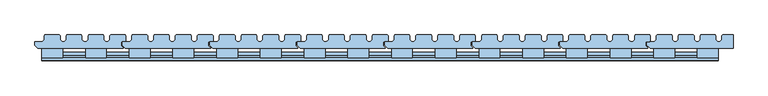
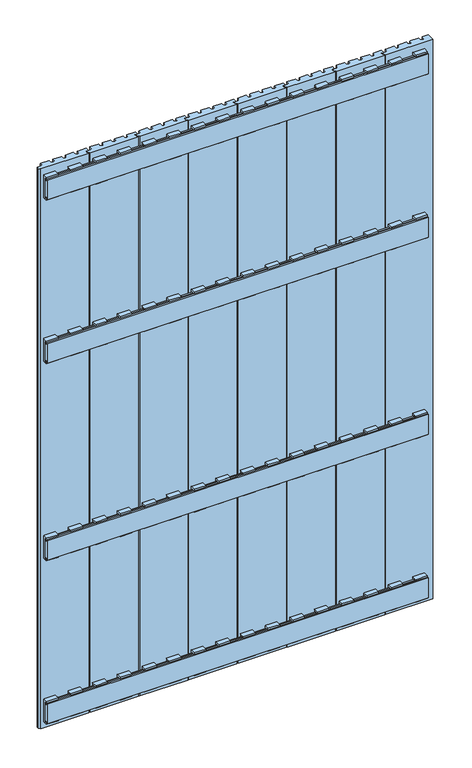
"""IFC4 building model written with IfcOpenShell, lengths in millimetres: window geometry."""

from ifc_helpers import new_model, si_unit, frame, origin, place, context, project, spatial, polyline, outline, extrude, source, transform, mapped, element, save


def window_894a8faf(model_context):
    return source(origin(), model_context, "Body", "SweptSolid", [
        extrude(outline(polyline([(275.0, 43.0), (275.0, 49.0), (276.0, 50.0), (297.5, 50.0), (298.5, 49.0), (298.5, 43.0), (301.5, 40.0), (304.5, 40.0), (307.5, 43.0), (307.5, 49.0), (308.5, 50.0), (330.0, 50.0), (331.0, 49.0), (331.0, 43.0), (334.0, 40.0), (337.0, 40.0), (340.0, 43.0), (340.0, 49.0), (341.0, 50.0), (362.5, 50.0), (363.5, 49.0), (363.5, 43.0), (366.5, 40.0), (369.5, 40.0), (372.5, 43.0), (372.5, 49.0), (373.5, 50.0), (395.0, 50.0), (396.0, 49.0), (396.0, 41.0), (395.0, 40.0), (389.0, 40.0), (389.0, 34.0), (392.1, 30.9), (392.1, 30.0), (265.5, 30.0), (261.0, 34.5), (261.0, 40.0), (272.0, 40.0), (275.0, 43.0)])), frame((0.0, 0.0, 100.0), z_axis=(0.0, 0.0, 1.0), x_axis=(1.0, 0.0, 0.0)), (0.0, 0.0, 1.0), 1561.0),
        extrude(outline(polyline([(145.0, 43.0), (145.0, 49.0), (146.0, 50.0), (167.5, 50.0), (168.5, 49.0), (168.5, 43.0), (171.5, 40.0), (174.5, 40.0), (177.5, 43.0), (177.5, 49.0), (178.5, 50.0), (200.0, 50.0), (201.0, 49.0), (201.0, 43.0), (204.0, 40.0), (207.0, 40.0), (210.0, 43.0), (210.0, 49.0), (211.0, 50.0), (232.5, 50.0), (233.5, 49.0), (233.5, 43.0), (236.5, 40.0), (239.5, 40.0), (242.5, 43.0), (242.5, 49.0), (243.5, 50.0), (265.0, 50.0), (266.0, 49.0), (266.0, 41.0), (265.0, 40.0), (259.0, 40.0), (259.0, 34.0), (262.1, 30.9), (262.1, 30.0), (135.5, 30.0), (131.0, 34.5), (131.0, 40.0), (142.0, 40.0), (145.0, 43.0)])), frame((0.0, 0.0, 100.0), z_axis=(0.0, 0.0, 1.0), x_axis=(1.0, 0.0, 0.0)), (0.0, 0.0, 1.0), 1561.0),
        extrude(outline(polyline([(15.0, 43.0), (15.0, 49.0), (16.0, 50.0), (37.5, 50.0), (38.5, 49.0), (38.5, 43.0), (41.5, 40.0), (44.5, 40.0), (47.5, 43.0), (47.5, 49.0), (48.5, 50.0), (70.0, 50.0), (71.0, 49.0), (71.0, 43.0), (74.0, 40.0), (77.0, 40.0), (80.0, 43.0), (80.0, 49.0), (81.0, 50.0), (102.5, 50.0), (103.5, 49.0), (103.5, 43.0), (106.5, 40.0), (109.5, 40.0), (112.5, 43.0), (112.5, 49.0), (113.5, 50.0), (135.0, 50.0), (136.0, 49.0), (136.0, 41.0), (135.0, 40.0), (129.0, 40.0), (129.0, 34.0), (132.1, 30.9), (132.1, 30.0), (5.5, 30.0), (1.0, 34.5), (1.0, 40.0), (12.0, 40.0), (15.0, 43.0)])), frame((0.0, 0.0, 100.0), z_axis=(0.0, 0.0, 1.0), x_axis=(1.0, 0.0, 0.0)), (0.0, 0.0, 1.0), 1561.0),
        extrude(outline(polyline([(-115.0, 43.0), (-115.0, 49.0), (-114.0, 50.0), (-92.5, 50.0), (-91.5, 49.0), (-91.5, 43.0), (-88.5, 40.0), (-85.5, 40.0), (-82.5, 43.0), (-82.5, 49.0), (-81.5, 50.0), (-60.0, 50.0), (-59.0, 49.0), (-59.0, 43.0), (-56.0, 40.0), (-53.0, 40.0), (-50.0, 43.0), (-50.0, 49.0), (-49.0, 50.0), (-27.5, 50.0), (-26.5, 49.0), (-26.5, 43.0), (-23.5, 40.0), (-20.5, 40.0), (-17.5, 43.0), (-17.5, 49.0), (-16.5, 50.0), (5.0, 50.0), (6.0, 49.0), (6.0, 41.0), (5.0, 40.0), (-1.0, 40.0), (-1.0, 34.0), (2.1, 30.9), (2.1, 30.0), (-124.5, 30.0), (-129.0, 34.5), (-129.0, 40.0), (-118.0, 40.0), (-115.0, 43.0)])), frame((0.0, 0.0, 100.0), z_axis=(0.0, 0.0, 1.0), x_axis=(1.0, 0.0, 0.0)), (0.0, 0.0, 1.0), 1561.0),
        extrude(outline(polyline([(-245.0, 43.0), (-245.0, 49.0), (-244.0, 50.0), (-222.5, 50.0), (-221.5, 49.0), (-221.5, 43.0), (-218.5, 40.0), (-215.5, 40.0), (-212.5, 43.0), (-212.5, 49.0), (-211.5, 50.0), (-190.0, 50.0), (-189.0, 49.0), (-189.0, 43.0), (-186.0, 40.0), (-183.0, 40.0), (-180.0, 43.0), (-180.0, 49.0), (-179.0, 50.0), (-157.5, 50.0), (-156.5, 49.0), (-156.5, 43.0), (-153.5, 40.0), (-150.5, 40.0), (-147.5, 43.0), (-147.5, 49.0), (-146.5, 50.0), (-125.0, 50.0), (-124.0, 49.0), (-124.0, 41.0), (-125.0, 40.0), (-131.0, 40.0), (-131.0, 34.0), (-127.9, 30.9), (-127.9, 30.0), (-254.5, 30.0), (-259.0, 34.5), (-259.0, 40.0), (-248.0, 40.0), (-245.0, 43.0)])), frame((0.0, 0.0, 100.0), z_axis=(0.0, 0.0, 1.0), x_axis=(1.0, 0.0, 0.0)), (0.0, 0.0, 1.0), 1561.0),
        extrude(outline(polyline([(-375.0, 43.0), (-375.0, 49.0), (-374.0, 50.0), (-352.5, 50.0), (-351.5, 49.0), (-351.5, 43.0), (-348.5, 40.0), (-345.5, 40.0), (-342.5, 43.0), (-342.5, 49.0), (-341.5, 50.0), (-320.0, 50.0), (-319.0, 49.0), (-319.0, 43.0), (-316.0, 40.0), (-313.0, 40.0), (-310.0, 43.0), (-310.0, 49.0), (-309.0, 50.0), (-287.5, 50.0), (-286.5, 49.0), (-286.5, 43.0), (-283.5, 40.0), (-280.5, 40.0), (-277.5, 43.0), (-277.5, 49.0), (-276.5, 50.0), (-255.0, 50.0), (-254.0, 49.0), (-254.0, 41.0), (-255.0, 40.0), (-261.0, 40.0), (-261.0, 34.0), (-257.9, 30.9), (-257.9, 30.0), (-384.5, 30.0), (-389.0, 34.5), (-389.0, 40.0), (-378.0, 40.0), (-375.0, 43.0)])), frame((0.0, 0.0, 100.0), z_axis=(0.0, 0.0, 1.0), x_axis=(1.0, 0.0, 0.0)), (0.0, 0.0, 1.0), 1561.0),
        extrude(outline(polyline([(405.0, 43.0), (405.0, 49.0), (406.0, 50.0), (427.5, 50.0), (428.5, 49.0), (428.5, 43.0), (431.5, 40.0), (434.5, 40.0), (437.5, 43.0), (437.5, 49.0), (438.5, 50.0), (460.0, 50.0), (461.0, 49.0), (461.0, 43.0), (464.0, 40.0), (467.0, 40.0), (470.0, 43.0), (470.0, 49.0), (471.0, 50.0), (492.5, 50.0), (493.5, 49.0), (493.5, 43.0), (496.5, 40.0), (499.5, 40.0), (502.5, 43.0), (502.5, 49.0), (503.5, 50.0), (519.0, 50.0), (519.0, 30.0), (395.5, 30.0), (391.0, 34.5), (391.0, 40.0), (402.0, 40.0), (405.0, 43.0)])), frame((0.0, 0.0, 100.0), z_axis=(0.0, 0.0, 1.0), x_axis=(1.0, 0.0, 0.0)), (0.0, 0.0, 1.0), 1561.0),
        extrude(outline(polyline([(-505.0, 43.0), (-505.0, 49.0), (-504.0, 50.0), (-482.5, 50.0), (-481.5, 49.0), (-481.5, 43.0), (-478.5, 40.0), (-475.5, 40.0), (-472.5, 43.0), (-472.5, 49.0), (-471.5, 50.0), (-450.0, 50.0), (-449.0, 49.0), (-449.0, 43.0), (-446.0, 40.0), (-443.0, 40.0), (-440.0, 43.0), (-440.0, 49.0), (-439.0, 50.0), (-417.5, 50.0), (-416.5, 49.0), (-416.5, 43.0), (-413.5, 40.0), (-410.5, 40.0), (-407.5, 43.0), (-407.5, 49.0), (-406.5, 50.0), (-385.0, 50.0), (-384.0, 49.0), (-384.0, 41.0), (-385.0, 40.0), (-391.0, 40.0), (-391.0, 34.0), (-387.9, 30.9), (-387.9, 30.0), (-514.5, 30.0), (-519.0, 34.5), (-519.0, 40.0), (-508.0, 40.0), (-505.0, 43.0)])), frame((0.0, 0.0, 100.0), z_axis=(0.0, 0.0, 1.0), x_axis=(1.0, 0.0, 0.0)), (0.0, 0.0, 1.0), 1561.0),
        extrude(outline(polyline([(24.0, 1183.0936804), (19.8, 1183.0936804), (19.8, 1179.0936804), (16.0, 1179.0936804), (16.0, 1187.0), (29.9, 1187.0), (29.9, 1124.0), (16.0, 1124.0), (16.0, 1131.9063196), (19.8, 1131.9063196), (19.8, 1127.9063196), (24.0, 1127.9063196), (24.0, 1183.0936804)])), frame((271.3, 0.0, 0.0), z_axis=(1.0, 0.0, 0.0), x_axis=(0.0, 1.0, 0.0)), (0.0, 0.0, 1.0), 31.0),
        extrude(outline(polyline([(24.0, 633.0936804), (19.8, 633.0936804), (19.8, 629.0936804), (16.0, 629.0936804), (16.0, 637.0), (29.9, 637.0), (29.9, 574.0), (16.0, 574.0), (16.0, 581.9063196), (19.8, 581.9063196), (19.8, 577.9063196), (24.0, 577.9063196), (24.0, 633.0936804)])), frame((271.3, 0.0, 0.0), z_axis=(1.0, 0.0, 0.0), x_axis=(0.0, 1.0, 0.0)), (0.0, 0.0, 1.0), 31.0),
        extrude(outline(polyline([(24.0, 1583.9063196), (24.0, 1639.0936804), (19.8, 1639.0936804), (19.8, 1635.0936804), (16.0, 1635.0936804), (16.0, 1643.0), (29.9, 1643.0), (29.9, 1580.0), (16.0, 1580.0), (16.0, 1587.9063196), (19.8, 1587.9063196), (19.8, 1583.9063196), (24.0, 1583.9063196)])), frame((271.3, 0.0, 0.0), z_axis=(1.0, 0.0, 0.0), x_axis=(0.0, 1.0, 0.0)), (0.0, 0.0, 1.0), 31.0),
        extrude(outline(polyline([(24.0, 177.0936804), (19.8, 177.0936804), (19.8, 173.0936804), (16.0, 173.0936804), (16.0, 181.0), (29.9, 181.0), (29.9, 118.0), (16.0, 118.0), (16.0, 125.9063196), (19.8, 125.9063196), (19.8, 121.9063196), (24.0, 121.9063196), (24.0, 177.0936804)])), frame((271.3, 0.0, 0.0), z_axis=(1.0, 0.0, 0.0), x_axis=(0.0, 1.0, 0.0)), (0.0, 0.0, 1.0), 31.0),
        extrude(outline(polyline([(24.0, 1183.0936804), (19.8, 1183.0936804), (19.8, 1179.0936804), (16.0, 1179.0936804), (16.0, 1187.0), (29.9, 1187.0), (29.9, 1124.0), (16.0, 1124.0), (16.0, 1131.9063196), (19.8, 1131.9063196), (19.8, 1127.9063196), (24.0, 1127.9063196), (24.0, 1183.0936804)])), frame((336.25, 0.0, 0.0), z_axis=(1.0, 0.0, 0.0), x_axis=(0.0, 1.0, 0.0)), (0.0, 0.0, 1.0), 31.0),
        extrude(outline(polyline([(24.0, 633.0936804), (19.8, 633.0936804), (19.8, 629.0936804), (16.0, 629.0936804), (16.0, 637.0), (29.9, 637.0), (29.9, 574.0), (16.0, 574.0), (16.0, 581.9063196), (19.8, 581.9063196), (19.8, 577.9063196), (24.0, 577.9063196), (24.0, 633.0936804)])), frame((336.25, 0.0, 0.0), z_axis=(1.0, 0.0, 0.0), x_axis=(0.0, 1.0, 0.0)), (0.0, 0.0, 1.0), 31.0),
        extrude(outline(polyline([(24.0, 1583.9063196), (24.0, 1639.0936804), (19.8, 1639.0936804), (19.8, 1635.0936804), (16.0, 1635.0936804), (16.0, 1643.0), (29.9, 1643.0), (29.9, 1580.0), (16.0, 1580.0), (16.0, 1587.9063196), (19.8, 1587.9063196), (19.8, 1583.9063196), (24.0, 1583.9063196)])), frame((336.25, 0.0, 0.0), z_axis=(1.0, 0.0, 0.0), x_axis=(0.0, 1.0, 0.0)), (0.0, 0.0, 1.0), 31.0),
        extrude(outline(polyline([(24.0, 177.0936804), (19.8, 177.0936804), (19.8, 173.0936804), (16.0, 173.0936804), (16.0, 181.0), (29.9, 181.0), (29.9, 118.0), (16.0, 118.0), (16.0, 125.9063196), (19.8, 125.9063196), (19.8, 121.9063196), (24.0, 121.9063196), (24.0, 177.0936804)])), frame((336.25, 0.0, 0.0), z_axis=(1.0, 0.0, 0.0), x_axis=(0.0, 1.0, 0.0)), (0.0, 0.0, 1.0), 31.0),
        extrude(outline(polyline([(24.0, 1183.0936804), (19.8, 1183.0936804), (19.8, 1179.0936804), (16.0, 1179.0936804), (16.0, 1187.0), (29.9, 1187.0), (29.9, 1124.0), (16.0, 1124.0), (16.0, 1131.9063196), (19.8, 1131.9063196), (19.8, 1127.9063196), (24.0, 1127.9063196), (24.0, 1183.0936804)])), frame((141.3, 0.0, 0.0), z_axis=(1.0, 0.0, 0.0), x_axis=(0.0, 1.0, 0.0)), (0.0, 0.0, 1.0), 31.0),
        extrude(outline(polyline([(24.0, 633.0936804), (19.8, 633.0936804), (19.8, 629.0936804), (16.0, 629.0936804), (16.0, 637.0), (29.9, 637.0), (29.9, 574.0), (16.0, 574.0), (16.0, 581.9063196), (19.8, 581.9063196), (19.8, 577.9063196), (24.0, 577.9063196), (24.0, 633.0936804)])), frame((141.3, 0.0, 0.0), z_axis=(1.0, 0.0, 0.0), x_axis=(0.0, 1.0, 0.0)), (0.0, 0.0, 1.0), 31.0),
        extrude(outline(polyline([(24.0, 1583.9063196), (24.0, 1639.0936804), (19.8, 1639.0936804), (19.8, 1635.0936804), (16.0, 1635.0936804), (16.0, 1643.0), (29.9, 1643.0), (29.9, 1580.0), (16.0, 1580.0), (16.0, 1587.9063196), (19.8, 1587.9063196), (19.8, 1583.9063196), (24.0, 1583.9063196)])), frame((141.3, 0.0, 0.0), z_axis=(1.0, 0.0, 0.0), x_axis=(0.0, 1.0, 0.0)), (0.0, 0.0, 1.0), 31.0),
        extrude(outline(polyline([(24.0, 177.0936804), (19.8, 177.0936804), (19.8, 173.0936804), (16.0, 173.0936804), (16.0, 181.0), (29.9, 181.0), (29.9, 118.0), (16.0, 118.0), (16.0, 125.9063196), (19.8, 125.9063196), (19.8, 121.9063196), (24.0, 121.9063196), (24.0, 177.0936804)])), frame((141.3, 0.0, 0.0), z_axis=(1.0, 0.0, 0.0), x_axis=(0.0, 1.0, 0.0)), (0.0, 0.0, 1.0), 31.0),
        extrude(outline(polyline([(24.0, 1183.0936804), (19.8, 1183.0936804), (19.8, 1179.0936804), (16.0, 1179.0936804), (16.0, 1187.0), (29.9, 1187.0), (29.9, 1124.0), (16.0, 1124.0), (16.0, 1131.9063196), (19.8, 1131.9063196), (19.8, 1127.9063196), (24.0, 1127.9063196), (24.0, 1183.0936804)])), frame((206.25, 0.0, 0.0), z_axis=(1.0, 0.0, 0.0), x_axis=(0.0, 1.0, 0.0)), (0.0, 0.0, 1.0), 31.0),
        extrude(outline(polyline([(24.0, 633.0936804), (19.8, 633.0936804), (19.8, 629.0936804), (16.0, 629.0936804), (16.0, 637.0), (29.9, 637.0), (29.9, 574.0), (16.0, 574.0), (16.0, 581.9063196), (19.8, 581.9063196), (19.8, 577.9063196), (24.0, 577.9063196), (24.0, 633.0936804)])), frame((206.25, 0.0, 0.0), z_axis=(1.0, 0.0, 0.0), x_axis=(0.0, 1.0, 0.0)), (0.0, 0.0, 1.0), 31.0),
        extrude(outline(polyline([(24.0, 1583.9063196), (24.0, 1639.0936804), (19.8, 1639.0936804), (19.8, 1635.0936804), (16.0, 1635.0936804), (16.0, 1643.0), (29.9, 1643.0), (29.9, 1580.0), (16.0, 1580.0), (16.0, 1587.9063196), (19.8, 1587.9063196), (19.8, 1583.9063196), (24.0, 1583.9063196)])), frame((206.25, 0.0, 0.0), z_axis=(1.0, 0.0, 0.0), x_axis=(0.0, 1.0, 0.0)), (0.0, 0.0, 1.0), 31.0),
        extrude(outline(polyline([(24.0, 177.0936804), (19.8, 177.0936804), (19.8, 173.0936804), (16.0, 173.0936804), (16.0, 181.0), (29.9, 181.0), (29.9, 118.0), (16.0, 118.0), (16.0, 125.9063196), (19.8, 125.9063196), (19.8, 121.9063196), (24.0, 121.9063196), (24.0, 177.0936804)])), frame((206.25, 0.0, 0.0), z_axis=(1.0, 0.0, 0.0), x_axis=(0.0, 1.0, 0.0)), (0.0, 0.0, 1.0), 31.0),
        extrude(outline(polyline([(24.0, 1183.0936804), (19.8, 1183.0936804), (19.8, 1179.0936804), (16.0, 1179.0936804), (16.0, 1187.0), (29.9, 1187.0), (29.9, 1124.0), (16.0, 1124.0), (16.0, 1131.9063196), (19.8, 1131.9063196), (19.8, 1127.9063196), (24.0, 1127.9063196), (24.0, 1183.0936804)])), frame((11.3, 0.0, 0.0), z_axis=(1.0, 0.0, 0.0), x_axis=(0.0, 1.0, 0.0)), (0.0, 0.0, 1.0), 31.0),
        extrude(outline(polyline([(24.0, 633.0936804), (19.8, 633.0936804), (19.8, 629.0936804), (16.0, 629.0936804), (16.0, 637.0), (29.9, 637.0), (29.9, 574.0), (16.0, 574.0), (16.0, 581.9063196), (19.8, 581.9063196), (19.8, 577.9063196), (24.0, 577.9063196), (24.0, 633.0936804)])), frame((11.3, 0.0, 0.0), z_axis=(1.0, 0.0, 0.0), x_axis=(0.0, 1.0, 0.0)), (0.0, 0.0, 1.0), 31.0),
        extrude(outline(polyline([(24.0, 1583.9063196), (24.0, 1639.0936804), (19.8, 1639.0936804), (19.8, 1635.0936804), (16.0, 1635.0936804), (16.0, 1643.0), (29.9, 1643.0), (29.9, 1580.0), (16.0, 1580.0), (16.0, 1587.9063196), (19.8, 1587.9063196), (19.8, 1583.9063196), (24.0, 1583.9063196)])), frame((11.3, 0.0, 0.0), z_axis=(1.0, 0.0, 0.0), x_axis=(0.0, 1.0, 0.0)), (0.0, 0.0, 1.0), 31.0),
        extrude(outline(polyline([(24.0, 177.0936804), (19.8, 177.0936804), (19.8, 173.0936804), (16.0, 173.0936804), (16.0, 181.0), (29.9, 181.0), (29.9, 118.0), (16.0, 118.0), (16.0, 125.9063196), (19.8, 125.9063196), (19.8, 121.9063196), (24.0, 121.9063196), (24.0, 177.0936804)])), frame((11.3, 0.0, 0.0), z_axis=(1.0, 0.0, 0.0), x_axis=(0.0, 1.0, 0.0)), (0.0, 0.0, 1.0), 31.0),
        extrude(outline(polyline([(24.0, 1183.0936804), (19.8, 1183.0936804), (19.8, 1179.0936804), (16.0, 1179.0936804), (16.0, 1187.0), (29.9, 1187.0), (29.9, 1124.0), (16.0, 1124.0), (16.0, 1131.9063196), (19.8, 1131.9063196), (19.8, 1127.9063196), (24.0, 1127.9063196), (24.0, 1183.0936804)])), frame((76.25, 0.0, 0.0), z_axis=(1.0, 0.0, 0.0), x_axis=(0.0, 1.0, 0.0)), (0.0, 0.0, 1.0), 31.0),
        extrude(outline(polyline([(24.0, 633.0936804), (19.8, 633.0936804), (19.8, 629.0936804), (16.0, 629.0936804), (16.0, 637.0), (29.9, 637.0), (29.9, 574.0), (16.0, 574.0), (16.0, 581.9063196), (19.8, 581.9063196), (19.8, 577.9063196), (24.0, 577.9063196), (24.0, 633.0936804)])), frame((76.25, 0.0, 0.0), z_axis=(1.0, 0.0, 0.0), x_axis=(0.0, 1.0, 0.0)), (0.0, 0.0, 1.0), 31.0),
        extrude(outline(polyline([(24.0, 1583.9063196), (24.0, 1639.0936804), (19.8, 1639.0936804), (19.8, 1635.0936804), (16.0, 1635.0936804), (16.0, 1643.0), (29.9, 1643.0), (29.9, 1580.0), (16.0, 1580.0), (16.0, 1587.9063196), (19.8, 1587.9063196), (19.8, 1583.9063196), (24.0, 1583.9063196)])), frame((76.25, 0.0, 0.0), z_axis=(1.0, 0.0, 0.0), x_axis=(0.0, 1.0, 0.0)), (0.0, 0.0, 1.0), 31.0),
        extrude(outline(polyline([(24.0, 177.0936804), (19.8, 177.0936804), (19.8, 173.0936804), (16.0, 173.0936804), (16.0, 181.0), (29.9, 181.0), (29.9, 118.0), (16.0, 118.0), (16.0, 125.9063196), (19.8, 125.9063196), (19.8, 121.9063196), (24.0, 121.9063196), (24.0, 177.0936804)])), frame((76.25, 0.0, 0.0), z_axis=(1.0, 0.0, 0.0), x_axis=(0.0, 1.0, 0.0)), (0.0, 0.0, 1.0), 31.0),
        extrude(outline(polyline([(24.0, 1183.0936804), (19.8, 1183.0936804), (19.8, 1179.0936804), (16.0, 1179.0936804), (16.0, 1187.0), (29.9, 1187.0), (29.9, 1124.0), (16.0, 1124.0), (16.0, 1131.9063196), (19.8, 1131.9063196), (19.8, 1127.9063196), (24.0, 1127.9063196), (24.0, 1183.0936804)])), frame((-118.7, 0.0, 0.0), z_axis=(1.0, 0.0, 0.0), x_axis=(0.0, 1.0, 0.0)), (0.0, 0.0, 1.0), 31.0),
        extrude(outline(polyline([(24.0, 633.0936804), (19.8, 633.0936804), (19.8, 629.0936804), (16.0, 629.0936804), (16.0, 637.0), (29.9, 637.0), (29.9, 574.0), (16.0, 574.0), (16.0, 581.9063196), (19.8, 581.9063196), (19.8, 577.9063196), (24.0, 577.9063196), (24.0, 633.0936804)])), frame((-118.7, 0.0, 0.0), z_axis=(1.0, 0.0, 0.0), x_axis=(0.0, 1.0, 0.0)), (0.0, 0.0, 1.0), 31.0),
        extrude(outline(polyline([(24.0, 1583.9063196), (24.0, 1639.0936804), (19.8, 1639.0936804), (19.8, 1635.0936804), (16.0, 1635.0936804), (16.0, 1643.0), (29.9, 1643.0), (29.9, 1580.0), (16.0, 1580.0), (16.0, 1587.9063196), (19.8, 1587.9063196), (19.8, 1583.9063196), (24.0, 1583.9063196)])), frame((-118.7, 0.0, 0.0), z_axis=(1.0, 0.0, 0.0), x_axis=(0.0, 1.0, 0.0)), (0.0, 0.0, 1.0), 31.0),
        extrude(outline(polyline([(24.0, 177.0936804), (19.8, 177.0936804), (19.8, 173.0936804), (16.0, 173.0936804), (16.0, 181.0), (29.9, 181.0), (29.9, 118.0), (16.0, 118.0), (16.0, 125.9063196), (19.8, 125.9063196), (19.8, 121.9063196), (24.0, 121.9063196), (24.0, 177.0936804)])), frame((-118.7, 0.0, 0.0), z_axis=(1.0, 0.0, 0.0), x_axis=(0.0, 1.0, 0.0)), (0.0, 0.0, 1.0), 31.0),
        extrude(outline(polyline([(24.0, 1183.0936804), (19.8, 1183.0936804), (19.8, 1179.0936804), (16.0, 1179.0936804), (16.0, 1187.0), (29.9, 1187.0), (29.9, 1124.0), (16.0, 1124.0), (16.0, 1131.9063196), (19.8, 1131.9063196), (19.8, 1127.9063196), (24.0, 1127.9063196), (24.0, 1183.0936804)])), frame((-53.75, 0.0, 0.0), z_axis=(1.0, 0.0, 0.0), x_axis=(0.0, 1.0, 0.0)), (0.0, 0.0, 1.0), 31.0),
        extrude(outline(polyline([(24.0, 633.0936804), (19.8, 633.0936804), (19.8, 629.0936804), (16.0, 629.0936804), (16.0, 637.0), (29.9, 637.0), (29.9, 574.0), (16.0, 574.0), (16.0, 581.9063196), (19.8, 581.9063196), (19.8, 577.9063196), (24.0, 577.9063196), (24.0, 633.0936804)])), frame((-53.75, 0.0, 0.0), z_axis=(1.0, 0.0, 0.0), x_axis=(0.0, 1.0, 0.0)), (0.0, 0.0, 1.0), 31.0),
        extrude(outline(polyline([(24.0, 1583.9063196), (24.0, 1639.0936804), (19.8, 1639.0936804), (19.8, 1635.0936804), (16.0, 1635.0936804), (16.0, 1643.0), (29.9, 1643.0), (29.9, 1580.0), (16.0, 1580.0), (16.0, 1587.9063196), (19.8, 1587.9063196), (19.8, 1583.9063196), (24.0, 1583.9063196)])), frame((-53.75, 0.0, 0.0), z_axis=(1.0, 0.0, 0.0), x_axis=(0.0, 1.0, 0.0)), (0.0, 0.0, 1.0), 31.0),
        extrude(outline(polyline([(24.0, 177.0936804), (19.8, 177.0936804), (19.8, 173.0936804), (16.0, 173.0936804), (16.0, 181.0), (29.9, 181.0), (29.9, 118.0), (16.0, 118.0), (16.0, 125.9063196), (19.8, 125.9063196), (19.8, 121.9063196), (24.0, 121.9063196), (24.0, 177.0936804)])), frame((-53.75, 0.0, 0.0), z_axis=(1.0, 0.0, 0.0), x_axis=(0.0, 1.0, 0.0)), (0.0, 0.0, 1.0), 31.0),
        extrude(outline(polyline([(24.0, 1127.9063196), (24.0, 1183.0936804), (19.8, 1183.0936804), (19.8, 1179.0936804), (16.0, 1179.0936804), (16.0, 1187.0), (29.9, 1187.0), (29.9, 1124.0), (16.0, 1124.0), (16.0, 1131.9063196), (19.8, 1131.9063196), (19.8, 1127.9063196), (24.0, 1127.9063196)])), frame((401.0, 0.0, 0.0), z_axis=(1.0, 0.0, 0.0), x_axis=(0.0, 1.0, 0.0)), (0.0, 0.0, 1.0), 31.0),
        extrude(outline(polyline([(24.0, 577.9063196), (24.0, 633.0936804), (19.8, 633.0936804), (19.8, 629.0936804), (16.0, 629.0936804), (16.0, 637.0), (29.9, 637.0), (29.9, 574.0), (16.0, 574.0), (16.0, 581.9063196), (19.8, 581.9063196), (19.8, 577.9063196), (24.0, 577.9063196)])), frame((401.0, 0.0, 0.0), z_axis=(1.0, 0.0, 0.0), x_axis=(0.0, 1.0, 0.0)), (0.0, 0.0, 1.0), 31.0),
        extrude(outline(polyline([(24.0, 1583.9063196), (24.0, 1639.0936804), (19.8, 1639.0936804), (19.8, 1635.0936804), (16.0, 1635.0936804), (16.0, 1643.0), (29.9, 1643.0), (29.9, 1580.0), (16.0, 1580.0), (16.0, 1587.9063196), (19.8, 1587.9063196), (19.8, 1583.9063196), (24.0, 1583.9063196)])), frame((401.0, 0.0, 0.0), z_axis=(1.0, 0.0, 0.0), x_axis=(0.0, 1.0, 0.0)), (0.0, 0.0, 1.0), 31.0),
        extrude(outline(polyline([(24.0, 177.0936804), (19.8, 177.0936804), (19.8, 173.0936804), (16.0, 173.0936804), (16.0, 181.0), (29.9, 181.0), (29.9, 118.0), (16.0, 118.0), (16.0, 125.9063196), (19.8, 125.9063196), (19.8, 121.9063196), (24.0, 121.9063196), (24.0, 177.0936804)])), frame((401.0, 0.0, 0.0), z_axis=(1.0, 0.0, 0.0), x_axis=(0.0, 1.0, 0.0)), (0.0, 0.0, 1.0), 31.0),
        extrude(outline(polyline([(24.0, 1127.9063196), (24.0, 1183.0936804), (19.8, 1183.0936804), (19.8, 1179.0936804), (16.0, 1179.0936804), (16.0, 1187.0), (29.9, 1187.0), (29.9, 1124.0), (16.0, 1124.0), (16.0, 1131.9063196), (19.8, 1131.9063196), (19.8, 1127.9063196), (24.0, 1127.9063196)])), frame((-443.7, 0.0, 0.0), z_axis=(1.0, 0.0, 0.0), x_axis=(0.0, 1.0, 0.0)), (0.0, 0.0, 1.0), 31.0),
        extrude(outline(polyline([(24.0, 577.9063196), (24.0, 633.0936804), (19.8, 633.0936804), (19.8, 629.0936804), (16.0, 629.0936804), (16.0, 637.0), (29.9, 637.0), (29.9, 574.0), (16.0, 574.0), (16.0, 581.9063196), (19.8, 581.9063196), (19.8, 577.9063196), (24.0, 577.9063196)])), frame((-443.7, 0.0, 0.0), z_axis=(1.0, 0.0, 0.0), x_axis=(0.0, 1.0, 0.0)), (0.0, 0.0, 1.0), 31.0),
        extrude(outline(polyline([(24.0, 1583.9063196), (24.0, 1639.0936804), (19.8, 1639.0936804), (19.8, 1635.0936804), (16.0, 1635.0936804), (16.0, 1643.0), (29.9, 1643.0), (29.9, 1580.0), (16.0, 1580.0), (16.0, 1587.9063196), (19.8, 1587.9063196), (19.8, 1583.9063196), (24.0, 1583.9063196)])), frame((-443.7, 0.0, 0.0), z_axis=(1.0, 0.0, 0.0), x_axis=(0.0, 1.0, 0.0)), (0.0, 0.0, 1.0), 31.0),
        extrude(outline(polyline([(24.0, 177.0936804), (19.8, 177.0936804), (19.8, 173.0936804), (16.0, 173.0936804), (16.0, 181.0), (29.9, 181.0), (29.9, 118.0), (16.0, 118.0), (16.0, 125.9063196), (19.8, 125.9063196), (19.8, 121.9063196), (24.0, 121.9063196), (24.0, 177.0936804)])), frame((-443.7, 0.0, 0.0), z_axis=(1.0, 0.0, 0.0), x_axis=(0.0, 1.0, 0.0)), (0.0, 0.0, 1.0), 31.0),
        extrude(outline(polyline([(24.0, 1183.0936804), (19.8, 1183.0936804), (19.8, 1179.0936804), (16.0, 1179.0936804), (16.0, 1187.0), (29.9, 1187.0), (29.9, 1124.0), (16.0, 1124.0), (16.0, 1131.9063196), (19.8, 1131.9063196), (19.8, 1127.9063196), (24.0, 1127.9063196), (24.0, 1183.0936804)])), frame((-248.7, 0.0, 0.0), z_axis=(1.0, 0.0, 0.0), x_axis=(0.0, 1.0, 0.0)), (0.0, 0.0, 1.0), 31.0),
        extrude(outline(polyline([(24.0, 633.0936804), (19.8, 633.0936804), (19.8, 629.0936804), (16.0, 629.0936804), (16.0, 637.0), (29.9, 637.0), (29.9, 574.0), (16.0, 574.0), (16.0, 581.9063196), (19.8, 581.9063196), (19.8, 577.9063196), (24.0, 577.9063196), (24.0, 633.0936804)])), frame((-248.7, 0.0, 0.0), z_axis=(1.0, 0.0, 0.0), x_axis=(0.0, 1.0, 0.0)), (0.0, 0.0, 1.0), 31.0),
        extrude(outline(polyline([(24.0, 1583.9063196), (24.0, 1639.0936804), (19.8, 1639.0936804), (19.8, 1635.0936804), (16.0, 1635.0936804), (16.0, 1643.0), (29.9, 1643.0), (29.9, 1580.0), (16.0, 1580.0), (16.0, 1587.9063196), (19.8, 1587.9063196), (19.8, 1583.9063196), (24.0, 1583.9063196)])), frame((-248.7, 0.0, 0.0), z_axis=(1.0, 0.0, 0.0), x_axis=(0.0, 1.0, 0.0)), (0.0, 0.0, 1.0), 31.0),
        extrude(outline(polyline([(24.0, 177.0936804), (19.8, 177.0936804), (19.8, 173.0936804), (16.0, 173.0936804), (16.0, 181.0), (29.9, 181.0), (29.9, 118.0), (16.0, 118.0), (16.0, 125.9063196), (19.8, 125.9063196), (19.8, 121.9063196), (24.0, 121.9063196), (24.0, 177.0936804)])), frame((-248.7, 0.0, 0.0), z_axis=(1.0, 0.0, 0.0), x_axis=(0.0, 1.0, 0.0)), (0.0, 0.0, 1.0), 31.0),
        extrude(outline(polyline([(24.0, 1183.0936804), (19.8, 1183.0936804), (19.8, 1179.0936804), (16.0, 1179.0936804), (16.0, 1187.0), (29.9, 1187.0), (29.9, 1124.0), (16.0, 1124.0), (16.0, 1131.9063196), (19.8, 1131.9063196), (19.8, 1127.9063196), (24.0, 1127.9063196), (24.0, 1183.0936804)])), frame((-378.7, 0.0, 0.0), z_axis=(1.0, 0.0, 0.0), x_axis=(0.0, 1.0, 0.0)), (0.0, 0.0, 1.0), 31.0),
        extrude(outline(polyline([(24.0, 633.0936804), (19.8, 633.0936804), (19.8, 629.0936804), (16.0, 629.0936804), (16.0, 637.0), (29.9, 637.0), (29.9, 574.0), (16.0, 574.0), (16.0, 581.9063196), (19.8, 581.9063196), (19.8, 577.9063196), (24.0, 577.9063196), (24.0, 633.0936804)])), frame((-378.7, 0.0, 0.0), z_axis=(1.0, 0.0, 0.0), x_axis=(0.0, 1.0, 0.0)), (0.0, 0.0, 1.0), 31.0),
        extrude(outline(polyline([(24.0, 1583.9063196), (24.0, 1639.0936804), (19.8, 1639.0936804), (19.8, 1635.0936804), (16.0, 1635.0936804), (16.0, 1643.0), (29.9, 1643.0), (29.9, 1580.0), (16.0, 1580.0), (16.0, 1587.9063196), (19.8, 1587.9063196), (19.8, 1583.9063196), (24.0, 1583.9063196)])), frame((-378.7, 0.0, 0.0), z_axis=(1.0, 0.0, 0.0), x_axis=(0.0, 1.0, 0.0)), (0.0, 0.0, 1.0), 31.0),
        extrude(outline(polyline([(24.0, 177.0936804), (19.8, 177.0936804), (19.8, 173.0936804), (16.0, 173.0936804), (16.0, 181.0), (29.9, 181.0), (29.9, 118.0), (16.0, 118.0), (16.0, 125.9063196), (19.8, 125.9063196), (19.8, 121.9063196), (24.0, 121.9063196), (24.0, 177.0936804)])), frame((-378.7, 0.0, 0.0), z_axis=(1.0, 0.0, 0.0), x_axis=(0.0, 1.0, 0.0)), (0.0, 0.0, 1.0), 31.0),
        extrude(outline(polyline([(24.0, 1183.0936804), (19.8, 1183.0936804), (19.8, 1179.0936804), (16.0, 1179.0936804), (16.0, 1187.0), (29.9, 1187.0), (29.9, 1124.0), (16.0, 1124.0), (16.0, 1131.9063196), (19.8, 1131.9063196), (19.8, 1127.9063196), (24.0, 1127.9063196), (24.0, 1183.0936804)])), frame((-183.75, 0.0, 0.0), z_axis=(1.0, 0.0, 0.0), x_axis=(0.0, 1.0, 0.0)), (0.0, 0.0, 1.0), 31.0),
        extrude(outline(polyline([(24.0, 633.0936804), (19.8, 633.0936804), (19.8, 629.0936804), (16.0, 629.0936804), (16.0, 637.0), (29.9, 637.0), (29.9, 574.0), (16.0, 574.0), (16.0, 581.9063196), (19.8, 581.9063196), (19.8, 577.9063196), (24.0, 577.9063196), (24.0, 633.0936804)])), frame((-183.75, 0.0, 0.0), z_axis=(1.0, 0.0, 0.0), x_axis=(0.0, 1.0, 0.0)), (0.0, 0.0, 1.0), 31.0),
        extrude(outline(polyline([(24.0, 1583.9063196), (24.0, 1639.0936804), (19.8, 1639.0936804), (19.8, 1635.0936804), (16.0, 1635.0936804), (16.0, 1643.0), (29.9, 1643.0), (29.9, 1580.0), (16.0, 1580.0), (16.0, 1587.9063196), (19.8, 1587.9063196), (19.8, 1583.9063196), (24.0, 1583.9063196)])), frame((-183.75, 0.0, 0.0), z_axis=(1.0, 0.0, 0.0), x_axis=(0.0, 1.0, 0.0)), (0.0, 0.0, 1.0), 31.0),
        extrude(outline(polyline([(24.0, 177.0936804), (19.8, 177.0936804), (19.8, 173.0936804), (16.0, 173.0936804), (16.0, 181.0), (29.9, 181.0), (29.9, 118.0), (16.0, 118.0), (16.0, 125.9063196), (19.8, 125.9063196), (19.8, 121.9063196), (24.0, 121.9063196), (24.0, 177.0936804)])), frame((-183.75, 0.0, 0.0), z_axis=(1.0, 0.0, 0.0), x_axis=(0.0, 1.0, 0.0)), (0.0, 0.0, 1.0), 31.0),
        extrude(outline(polyline([(24.0, 1183.0936804), (19.8, 1183.0936804), (19.8, 1179.0936804), (16.0, 1179.0936804), (16.0, 1187.0), (29.9, 1187.0), (29.9, 1124.0), (16.0, 1124.0), (16.0, 1131.9063196), (19.8, 1131.9063196), (19.8, 1127.9063196), (24.0, 1127.9063196), (24.0, 1183.0936804)])), frame((-313.75, 0.0, 0.0), z_axis=(1.0, 0.0, 0.0), x_axis=(0.0, 1.0, 0.0)), (0.0, 0.0, 1.0), 31.0),
        extrude(outline(polyline([(24.0, 633.0936804), (19.8, 633.0936804), (19.8, 629.0936804), (16.0, 629.0936804), (16.0, 637.0), (29.9, 637.0), (29.9, 574.0), (16.0, 574.0), (16.0, 581.9063196), (19.8, 581.9063196), (19.8, 577.9063196), (24.0, 577.9063196), (24.0, 633.0936804)])), frame((-313.75, 0.0, 0.0), z_axis=(1.0, 0.0, 0.0), x_axis=(0.0, 1.0, 0.0)), (0.0, 0.0, 1.0), 31.0),
        extrude(outline(polyline([(24.0, 1583.9063196), (24.0, 1639.0936804), (19.8, 1639.0936804), (19.8, 1635.0936804), (16.0, 1635.0936804), (16.0, 1643.0), (29.9, 1643.0), (29.9, 1580.0), (16.0, 1580.0), (16.0, 1587.9063196), (19.8, 1587.9063196), (19.8, 1583.9063196), (24.0, 1583.9063196)])), frame((-313.75, 0.0, 0.0), z_axis=(1.0, 0.0, 0.0), x_axis=(0.0, 1.0, 0.0)), (0.0, 0.0, 1.0), 31.0),
        extrude(outline(polyline([(24.0, 177.0936804), (19.8, 177.0936804), (19.8, 173.0936804), (16.0, 173.0936804), (16.0, 181.0), (29.9, 181.0), (29.9, 118.0), (16.0, 118.0), (16.0, 125.9063196), (19.8, 125.9063196), (19.8, 121.9063196), (24.0, 121.9063196), (24.0, 177.0936804)])), frame((-313.75, 0.0, 0.0), z_axis=(1.0, 0.0, 0.0), x_axis=(0.0, 1.0, 0.0)), (0.0, 0.0, 1.0), 31.0),
        extrude(outline(polyline([(24.0, 1127.9063196), (24.0, 1183.0936804), (19.8, 1183.0936804), (19.8, 1179.0936804), (16.0, 1179.0936804), (16.0, 1187.0), (29.9, 1187.0), (29.9, 1124.0), (16.0, 1124.0), (16.0, 1131.9063196), (19.8, 1131.9063196), (19.8, 1127.9063196), (24.0, 1127.9063196)])), frame((466.0, 0.0, 0.0), z_axis=(1.0, 0.0, 0.0), x_axis=(0.0, 1.0, 0.0)), (0.0, 0.0, 1.0), 31.0),
        extrude(outline(polyline([(24.0, 577.9063196), (24.0, 633.0936804), (19.8, 633.0936804), (19.8, 629.0936804), (16.0, 629.0936804), (16.0, 637.0), (29.9, 637.0), (29.9, 574.0), (16.0, 574.0), (16.0, 581.9063196), (19.8, 581.9063196), (19.8, 577.9063196), (24.0, 577.9063196)])), frame((466.0, 0.0, 0.0), z_axis=(1.0, 0.0, 0.0), x_axis=(0.0, 1.0, 0.0)), (0.0, 0.0, 1.0), 31.0),
        extrude(outline(polyline([(24.0, 1583.9063196), (24.0, 1639.0936804), (19.8, 1639.0936804), (19.8, 1635.0936804), (16.0, 1635.0936804), (16.0, 1643.0), (29.9, 1643.0), (29.9, 1580.0), (16.0, 1580.0), (16.0, 1587.9063196), (19.8, 1587.9063196), (19.8, 1583.9063196), (24.0, 1583.9063196)])), frame((466.0, 0.0, 0.0), z_axis=(1.0, 0.0, 0.0), x_axis=(0.0, 1.0, 0.0)), (0.0, 0.0, 1.0), 31.0),
        extrude(outline(polyline([(24.0, 177.0936804), (19.8, 177.0936804), (19.8, 173.0936804), (16.0, 173.0936804), (16.0, 181.0), (29.9, 181.0), (29.9, 118.0), (16.0, 118.0), (16.0, 125.9063196), (19.8, 125.9063196), (19.8, 121.9063196), (24.0, 121.9063196), (24.0, 177.0936804)])), frame((466.0, 0.0, 0.0), z_axis=(1.0, 0.0, 0.0), x_axis=(0.0, 1.0, 0.0)), (0.0, 0.0, 1.0), 31.0),
        extrude(outline(polyline([(24.0, 1127.9063196), (24.0, 1183.0936804), (19.8, 1183.0936804), (19.8, 1179.0936804), (16.0, 1179.0936804), (16.0, 1187.0), (29.9, 1187.0), (29.9, 1124.0), (16.0, 1124.0), (16.0, 1131.9063196), (19.8, 1131.9063196), (19.8, 1127.9063196), (24.0, 1127.9063196)])), frame((-508.7, 0.0, 0.0), z_axis=(1.0, 0.0, 0.0), x_axis=(0.0, 1.0, 0.0)), (0.0, 0.0, 1.0), 31.0),
        extrude(outline(polyline([(24.0, 577.9063196), (24.0, 633.0936804), (19.8, 633.0936804), (19.8, 629.0936804), (16.0, 629.0936804), (16.0, 637.0), (29.9, 637.0), (29.9, 574.0), (16.0, 574.0), (16.0, 581.9063196), (19.8, 581.9063196), (19.8, 577.9063196), (24.0, 577.9063196)])), frame((-508.7, 0.0, 0.0), z_axis=(1.0, 0.0, 0.0), x_axis=(0.0, 1.0, 0.0)), (0.0, 0.0, 1.0), 31.0),
        extrude(outline(polyline([(24.0, 1583.9063196), (24.0, 1639.0936804), (19.8, 1639.0936804), (19.8, 1635.0936804), (16.0, 1635.0936804), (16.0, 1643.0), (29.9, 1643.0), (29.9, 1580.0), (16.0, 1580.0), (16.0, 1587.9063196), (19.8, 1587.9063196), (19.8, 1583.9063196), (24.0, 1583.9063196)])), frame((-508.7, 0.0, 0.0), z_axis=(1.0, 0.0, 0.0), x_axis=(0.0, 1.0, 0.0)), (0.0, 0.0, 1.0), 31.0),
        extrude(outline(polyline([(24.0, 177.0936804), (19.8, 177.0936804), (19.8, 173.0936804), (16.0, 173.0936804), (16.0, 181.0), (29.9, 181.0), (29.9, 118.0), (16.0, 118.0), (16.0, 125.9063196), (19.8, 125.9063196), (19.8, 121.9063196), (24.0, 121.9063196), (24.0, 177.0936804)])), frame((-508.7, 0.0, 0.0), z_axis=(1.0, 0.0, 0.0), x_axis=(0.0, 1.0, 0.0)), (0.0, 0.0, 1.0), 31.0),
        extrude(outline(polyline([(12.0, 1183.0063196), (16.0, 1183.0063196), (16.0, 1179.0063196), (20.0, 1179.0063196), (20.0, 1183.0063196), (24.0, 1183.0063196), (24.0, 1178.0063196), (21.0, 1178.0063196), (21.0, 1173.0063196), (24.0, 1173.0063196), (24.0, 1160.5063196), (21.0, 1160.5063196), (21.0, 1150.5063196), (24.0, 1150.5063196), (24.0, 1138.0063196), (21.0, 1138.0063196), (21.0, 1133.0063196), (24.0, 1133.0063196), (24.0, 1128.0063196), (20.0, 1128.0063196), (20.0, 1132.0063196), (16.0, 1132.0063196), (16.0, 1128.0063196), (12.0, 1128.0063196), (12.0, 1183.0063196)])), frame((-508.5, 0.0, 0.0), z_axis=(1.0, 0.0, 0.0), x_axis=(0.0, 1.0, 0.0)), (0.0, 0.0, 1.0), 1005.5),
        extrude(outline(polyline([(12.0, 633.0063196), (16.0, 633.0063196), (16.0, 629.0063196), (20.0, 629.0063196), (20.0, 633.0063196), (24.0, 633.0063196), (24.0, 628.0063196), (21.0, 628.0063196), (21.0, 623.0063196), (24.0, 623.0063196), (24.0, 610.5063196), (21.0, 610.5063196), (21.0, 600.5063196), (24.0, 600.5063196), (24.0, 588.0063196), (21.0, 588.0063196), (21.0, 583.0063196), (24.0, 583.0063196), (24.0, 578.0063196), (20.0, 578.0063196), (20.0, 582.0063196), (16.0, 582.0063196), (16.0, 578.0063196), (12.0, 578.0063196), (12.0, 633.0063196)])), frame((-508.5, 0.0, 0.0), z_axis=(1.0, 0.0, 0.0), x_axis=(0.0, 1.0, 0.0)), (0.0, 0.0, 1.0), 1005.5),
        extrude(outline(polyline([(12.0, 1639.0), (16.0, 1639.0), (16.0, 1635.0), (20.0, 1635.0), (20.0, 1639.0), (24.0, 1639.0), (24.0, 1634.0), (21.0, 1634.0), (21.0, 1629.0), (24.0, 1629.0), (24.0, 1616.5), (21.0, 1616.5), (21.0, 1606.5), (24.0, 1606.5), (24.0, 1594.0), (21.0, 1594.0), (21.0, 1589.0), (24.0, 1589.0), (24.0, 1584.0), (20.0, 1584.0), (20.0, 1588.0), (16.0, 1588.0), (16.0, 1584.0), (12.0, 1584.0), (12.0, 1639.0)])), frame((-508.5, 0.0, 0.0), z_axis=(1.0, 0.0, 0.0), x_axis=(0.0, 1.0, 0.0)), (0.0, 0.0, 1.0), 1005.5),
        extrude(outline(polyline([(12.0, 177.0), (16.0, 177.0), (16.0, 173.0), (20.0, 173.0), (20.0, 177.0), (24.0, 177.0), (24.0, 172.0), (21.0, 172.0), (21.0, 167.0), (24.0, 167.0), (24.0, 154.5), (21.0, 154.5), (21.0, 144.5), (24.0, 144.5), (24.0, 132.0), (21.0, 132.0), (21.0, 127.0), (24.0, 127.0), (24.0, 122.0), (20.0, 122.0), (20.0, 126.0), (16.0, 126.0), (16.0, 122.0), (12.0, 122.0), (12.0, 177.0)])), frame((-508.5, 0.0, 0.0), z_axis=(1.0, 0.0, 0.0), x_axis=(0.0, 1.0, 0.0)), (0.0, 0.0, 1.0), 1005.5),
    ])


if __name__ == "__main__":
    model = new_model("IFC4")
    model_context = context("Model", 3, world=origin())
    ifc_project = project(units=[si_unit("LENGTHUNIT", "METRE", prefix="MILLI")], contexts=[model_context])
    site = spatial("IfcSite", under=ifc_project)
    building = spatial("IfcBuilding", under=site)
    placement = place(None, origin())
    window_shape = window_894a8faf(model_context)
    element("IfcWindow", 1, at=placement, inside=building, context=model_context, shape_type="MappedRepresentation", body=[
        mapped(window_shape, transform((0.0, 0.0, 0.0), x_axis=(1.0, 0.0, 0.0), y_axis=(0.0, 1.0, 0.0), z_axis=(0.0, 0.0, 1.0))),
    ])
    save(model, "model.ifc")
